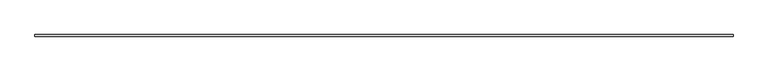
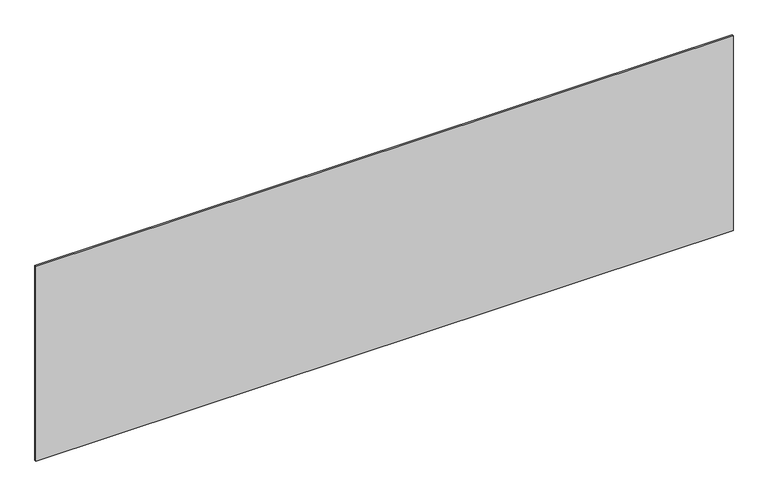
"""IFC4 building model written with IfcOpenShell, lengths in millimetres: plate geometry."""

from ifc_helpers import new_model, si_unit, origin, origin_with_axes, place, context, project, spatial, polyline, outline, extrude, source, transform, mapped, element, save


def plate_b4fe0b39(model_context):
    return source(origin(), model_context, "Body", "SweptSolid", [
        extrude(outline(polyline([(2189.1666667, -5.0), (-2189.1666667, -5.0), (-2189.1666667, 5.0), (2189.1666667, 5.0), (2189.1666667, -5.0)])), origin_with_axes(), (0.0, 0.0, 1.0), 1293.3001073),
    ])


if __name__ == "__main__":
    model = new_model("IFC4")
    model_context = context("Model", 3, world=origin())
    ifc_project = project(units=[si_unit("LENGTHUNIT", "METRE", prefix="MILLI")], contexts=[model_context])
    site = spatial("IfcSite", under=ifc_project)
    building = spatial("IfcBuilding", under=site)
    placement = place(None, origin())
    plate_shape = plate_b4fe0b39(model_context)
    element("IfcPlate", 1, at=placement, inside=building, context=model_context, shape_type="MappedRepresentation", body=[
        mapped(plate_shape, transform((0.0, 0.0, 0.0), x_axis=(1.0, 0.0, 0.0), y_axis=(0.0, 1.0, 0.0), z_axis=(0.0, 0.0, 1.0))),
    ])
    save(model, "model.ifc")
